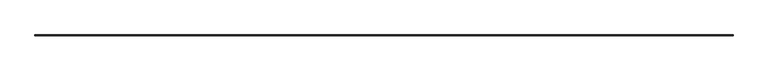
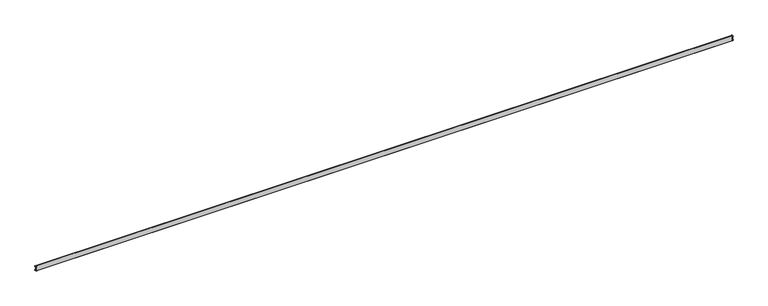
"""IFC4 building model written with IfcOpenShell, lengths in millimetres: railing geometry."""

from ifc_helpers import new_model, si_unit, frame, origin, place, context, project, spatial, polyline, circle_curve, ellipse_curve, source, transform, mapped, element, save
from ifc_brep_helpers import plane_surface, cylinder_surface, revolved_surface, advanced_brep


def railing_83002a9b(model_context):
    return source(origin(), model_context, "Body", "AdvancedBrep", [
        advanced_brep(
        [(25075.2601219, 85996.1703523, 570.7442809), (25079.5269506, 86000.437181, 570.7442809), (6781.4057932, 86000.437181, 570.7442809), (6785.6726219, 85996.1703523, 570.7442809), (25095.5621379, 86016.4723682, 603.0459483), (25096.2518366, 86017.162067, 603.4441461), (6764.6809072, 86017.162067, 603.4441461), (6765.370606, 86016.4723682, 603.0459483), (25097.0375754, 86017.9478058, 599.9286555), (6763.8951685, 86017.9478058, 599.9286555), (25079.5269506, 86000.437181, 711.2494691), (25097.6338633, 86018.5440937, 680.7051344), (6763.2988806, 86018.5440937, 680.7051344), (6781.4057932, 86000.437181, 711.2494691), (25097.7469688, 86018.6571992, 600.2852426), (25079.5269506, 86000.437181, 569.9505309), (6781.4057932, 86000.437181, 569.9505309), (6763.185775, 86018.6571992, 600.2852426), (25074.4663719, 85995.3766023, 569.9505309), (6786.4663719, 85995.3766023, 569.9505309), (25074.4663719, 85995.3766023, 711.2494691), (6786.4663719, 85995.3766023, 711.2494691), (25096.2406323, 86017.1508626, 677.7382015), (6764.6921116, 86017.1508626, 677.7382015), (25075.2601219, 85996.1703523, 710.4557191), (6785.6726219, 85996.1703523, 710.4557191), (25079.5269506, 86000.437181, 710.4557191), (6781.4057932, 86000.437181, 710.4557191), (25095.4923501, 86016.4025805, 678.1031631), (6765.4403938, 86016.4025805, 678.1031631), (25097.0375754, 86017.9478058, 681.2713445), (6763.8951685, 86017.9478058, 681.2713445), (25079.5269506, 85994.5828523, 710.4557191), (25097.0375754, 85994.5828523, 681.2713445), (25095.4923501, 85994.5828523, 678.1031631), (25096.2406323, 85994.5828523, 677.7382015), (25097.6338633, 85994.5828523, 680.7051344), (25079.5269506, 85994.5828523, 711.2494691), (25074.4663719, 85994.5828523, 711.2494691), (25074.4663719, 85994.5828523, 569.9505309), (25079.5269506, 85994.5828523, 569.9505309), (25097.7469688, 85994.5828523, 600.2852426), (25096.2518366, 85994.5828523, 603.4441461), (25095.5621379, 85994.5828523, 603.0459483), (25097.0375754, 85994.5828523, 599.9286555), (25079.5269506, 85994.5828523, 570.7442809), (25075.2601219, 85994.5828523, 570.7442809), (25075.2601219, 85994.5828523, 710.4557191), (6781.4057932, 85994.5828523, 710.4557191), (6785.6726219, 85994.5828523, 710.4557191), (6785.6726219, 85994.5828523, 570.7442809), (6781.4057932, 85994.5828523, 570.7442809), (6763.8951685, 85994.5828523, 599.9286555), (6765.370606, 85994.5828523, 603.0459483), (6764.6809072, 85994.5828523, 603.4441461), (6763.185775, 85994.5828523, 600.2852426), (6781.4057932, 85994.5828523, 569.9505309), (6786.4663719, 85994.5828523, 569.9505309), (6786.4663719, 85994.5828523, 711.2494691), (6781.4057932, 85994.5828523, 711.2494691), (6763.2988806, 85994.5828523, 680.7051344), (6764.6921116, 85994.5828523, 677.7382015), (6765.4403938, 85994.5828523, 678.1031631), (6763.8951685, 85994.5828523, 681.2713445)],
        [
            (0, 1),
            (1, 2),
            (2, 3),
            (3, 0),
            (4, 5),
            (5, 6),
            (6, 7),
            (7, 4),
            (8, 4),
            (7, 9),
            (9, 8),
            (10, 11, ellipse_curve(frame((25079.5269506, 86000.437181, 690.6103443), z_axis=(-0.7071067811865461, 0.7071067811865488, 0.0), x_axis=(0.7071067811865489, 0.707106781186546, 0.0)), 29.1881301, 20.6391247)),
            (11, 12),
            (12, 13, ellipse_curve(frame((6781.4057932, 86000.437181, 690.6103443), z_axis=(0.7071067811865488, 0.7071067811865461, 0.0), x_axis=(0.7071067811865462, -0.7071067811865487, 0.0)), 29.1881301, 20.6391247)),
            (13, 10),
            (14, 15, ellipse_curve(frame((25079.5269506, 86000.437181, 590.5896557), z_axis=(-0.7071067811865461, 0.7071067811865488, 0.0), x_axis=(0.7071067811865489, 0.707106781186546, 0.0)), 29.1881301, 20.6391247)),
            (15, 16),
            (16, 17, ellipse_curve(frame((6781.4057932, 86000.437181, 590.5896557), z_axis=(0.7071067811865488, 0.7071067811865461, 0.0), x_axis=(0.7071067811865462, -0.7071067811865487, 0.0)), 29.1881301, 20.6391247)),
            (17, 14),
            (5, 14),
            (17, 6),
            (15, 18),
            (18, 19),
            (19, 16),
            (20, 10),
            (13, 21),
            (21, 20),
            (11, 22),
            (22, 23),
            (23, 12),
            (24, 0),
            (3, 25),
            (25, 24),
            (1, 8, ellipse_curve(frame((25079.5269506, 86000.437181, 590.5896557), z_axis=(0.7071067811865461, -0.7071067811865488, 0.0), x_axis=(-0.7071067811865489, -0.707106781186546, 0.0)), 28.0655981, 19.8453747)),
            (9, 2, ellipse_curve(frame((6781.4057932, 86000.437181, 590.5896557), z_axis=(-0.7071067811865488, -0.7071067811865461, 0.0), x_axis=(-0.7071067811865462, 0.7071067811865487, 0.0)), 28.0655981, 19.8453747)),
            (26, 24),
            (25, 27),
            (27, 26),
            (18, 20),
            (21, 19),
            (22, 28),
            (28, 29),
            (29, 23),
            (28, 30),
            (30, 31),
            (31, 29),
            (30, 26, ellipse_curve(frame((25079.5269506, 86000.437181, 690.6103443), z_axis=(0.7071067811865461, -0.7071067811865488, 0.0), x_axis=(-0.7071067811865489, -0.707106781186546, 0.0)), 28.0655981, 19.8453747)),
            (27, 31, ellipse_curve(frame((6781.4057932, 86000.437181, 690.6103443), z_axis=(-0.7071067811865488, -0.7071067811865461, 0.0), x_axis=(-0.7071067811865462, 0.7071067811865487, 0.0)), 28.0655981, 19.8453747)),
            (32, 33, circle_curve(frame((25079.5269506, 85994.5828523, 690.6103443), z_axis=(0.0, 1.0, 0.0), x_axis=(0.8823529411769744, 0.0, -0.470588235293173)), 19.8453747)),
            (33, 34),
            (34, 35),
            (35, 36),
            (36, 37, circle_curve(frame((25079.5269506, 85994.5828523, 690.6103443), z_axis=(0.0, -1.0, 0.0), x_axis=(0.8823529411769744, 0.0, -0.470588235293173)), 20.6391247)),
            (37, 38),
            (38, 39),
            (39, 40),
            (40, 41, circle_curve(frame((25079.5269506, 85994.5828523, 590.5896557), z_axis=(0.0, -1.0, 0.0), x_axis=(0.8823529411769714, 0.0, 0.47058823529317884)), 20.6391247)),
            (41, 42),
            (42, 43),
            (43, 44),
            (44, 45, circle_curve(frame((25079.5269506, 85994.5828523, 590.5896557), z_axis=(0.0, 1.0, 0.0), x_axis=(0.8823529411769714, 0.0, 0.47058823529317884)), 19.8453747)),
            (45, 46),
            (46, 47),
            (47, 32),
            (32, 26),
            (30, 33),
            (28, 34),
            (22, 35),
            (11, 36),
            (10, 37),
            (20, 38),
            (18, 39),
            (15, 40),
            (14, 41),
            (5, 42),
            (4, 43),
            (8, 44),
            (1, 45),
            (0, 46),
            (24, 47),
            (48, 49),
            (49, 50),
            (50, 51),
            (51, 52, circle_curve(frame((6781.4057932, 85994.5828523, 590.5896557), z_axis=(0.0, 1.0, 0.0), x_axis=(-0.8823529411769714, 0.0, 0.47058823529317884)), 19.8453747)),
            (52, 53),
            (53, 54),
            (54, 55),
            (55, 56, circle_curve(frame((6781.4057932, 85994.5828523, 590.5896557), z_axis=(0.0, -1.0, 0.0), x_axis=(-0.8823529411769714, 0.0, 0.47058823529317884)), 20.6391247)),
            (56, 57),
            (57, 58),
            (58, 59),
            (59, 60, circle_curve(frame((6781.4057932, 85994.5828523, 690.6103443), z_axis=(0.0, -1.0, 0.0), x_axis=(-0.8823529411769744, 0.0, -0.470588235293173)), 20.6391247)),
            (60, 61),
            (61, 62),
            (62, 63),
            (63, 48, circle_curve(frame((6781.4057932, 85994.5828523, 690.6103443), z_axis=(0.0, 1.0, 0.0), x_axis=(-0.8823529411769744, 0.0, -0.470588235293173)), 19.8453747)),
            (27, 48),
            (63, 31),
            (62, 29),
            (61, 23),
            (60, 12),
            (59, 13),
            (58, 21),
            (57, 19),
            (56, 16),
            (55, 17),
            (54, 6),
            (53, 7),
            (52, 9),
            (51, 2),
            (50, 3),
            (49, 25),
        ],
        [
            plane_surface(frame((25079.5269506, 86000.437181, 570.7442809), z_axis=(0.0, 0.0, 1.0), x_axis=(-1.0, 0.0, 0.0))),
            plane_surface(frame((25096.2518366, 86017.162067, 603.4441461), z_axis=(0.0, -0.4999999999999967, 0.8660254037844406), x_axis=(-1.0, 0.0, 0.0))),
            plane_surface(frame((25095.5621379, 86016.4723682, 603.0459483), z_axis=(0.0, -0.9038695869673209, -0.42780809921683927), x_axis=(-1.0, 0.0, 0.0))),
            cylinder_surface(frame((25074.4663719, 86000.437181, 690.6103443), z_axis=(1.0, 0.0, 0.0), x_axis=(0.0, 0.8823529411769744, -0.470588235293173)), 20.6391247),
            cylinder_surface(frame((25074.4663719, 86000.437181, 590.5896557), z_axis=(1.0000000000000002, 0.0, 0.0), x_axis=(0.0, 0.8823529411769714, 0.47058823529317884)), 20.6391247),
            plane_surface(frame((25097.7469688, 86018.6571992, 600.2852426), z_axis=(0.0, 0.9038695869673207, 0.42780809921683965), x_axis=(-1.0, 0.0, 0.0))),
            plane_surface(frame((25074.4663719, 85995.3766023, 569.9505309), z_axis=(0.0, 0.0, -1.0), x_axis=(-1.0, 0.0, 0.0))),
            plane_surface(frame((25079.5269506, 86000.437181, 711.2494691), z_axis=(0.0, 0.0, 1.0), x_axis=(-1.0, 0.0, 0.0))),
            plane_surface(frame((25096.2406323, 86017.1508626, 677.7382015), z_axis=(0.0, 0.9051678095281966, -0.42505439251221294), x_axis=(-1.0, 0.0, 0.0))),
            plane_surface(frame((25075.2601219, 85996.1703523, 570.7442809), z_axis=(0.0, 1.0, 0.0), x_axis=(-1.0, 0.0, 0.0))),
            revolved_surface(polyline([(6761.560418465426, 86017.94780573531, 599.9286555588048), (25099.372325334567, 86017.94780573531, 599.9286555588048)]), (25074.4663719, 86000.437181, 590.5896557), (-1.0000000000000002, 0.0, 0.0)),
            plane_surface(frame((25075.2601219, 85996.1703523, 710.4557191), z_axis=(0.0, 0.0, -1.0), x_axis=(-1.0, 0.0, 0.0))),
            plane_surface(frame((25074.4663719, 85995.3766023, 711.2494691), z_axis=(0.0, -1.0, 0.0), x_axis=(-1.0, 0.0, 0.0))),
            plane_surface(frame((25095.4923501, 86016.4025805, 678.1031631), z_axis=(0.0, -0.43837114678907607, -0.8987940462991677), x_axis=(-1.0, 0.0, 0.0))),
            plane_surface(frame((25097.0375754, 86017.9478058, 681.2713445), z_axis=(0.0, -0.8987940462991681, 0.43837114678907513), x_axis=(-1.0, 0.0, 0.0))),
            revolved_surface(polyline([(6761.560418465433, 86017.94780573531, 681.2713444411952), (25099.372325334567, 86017.94780573531, 681.2713444411952)]), (25074.4663719, 86000.437181, 690.6103443), (-1.0, 0.0, 0.0)),
            plane_surface(frame((25074.4663719, 85994.5828523, 711.2), z_axis=(0.0, -1.0, 0.0), x_axis=(0.0, 0.0, 1.0))),
            revolved_surface(polyline([(25097.037575335304, 86020.28255573456, 681.2713444411952), (25097.037575335304, 85980.59180626544, 681.2713444411952)]), (25079.5269506, 85994.5828523, 690.6103443), (0.0, 1.0, 0.0)),
            plane_surface(frame((25097.0375754, 85994.5828523, 681.2713445), z_axis=(-0.8987940462991681, 0.0, 0.43837114678907513), x_axis=(0.0, 1.0, 0.0))),
            plane_surface(frame((25095.4923501, 85994.5828523, 678.1031631), z_axis=(-0.43837114678907607, 0.0, -0.8987940462991677), x_axis=(0.0, 1.0, 0.0))),
            plane_surface(frame((25096.2406323, 85994.5828523, 677.7382015), z_axis=(0.9051678095281966, 0.0, -0.42505439251221294), x_axis=(0.0, 1.0, 0.0))),
            cylinder_surface(frame((25079.5269506, 85994.5828523, 690.6103443), z_axis=(0.0, -1.0, 0.0), x_axis=(0.8823529411769744, 0.0, -0.470588235293173)), 20.6391247),
            plane_surface(frame((25079.5269506, 85994.5828523, 711.2494691), z_axis=(0.0, 0.0, 1.0), x_axis=(0.0, 1.0, 0.0))),
            plane_surface(frame((25074.4663719, 85994.5828523, 711.2494691), z_axis=(-1.0, 0.0, 0.0), x_axis=(0.0, 1.0, 0.0))),
            plane_surface(frame((25074.4663719, 85994.5828523, 569.9505309), z_axis=(0.0, 0.0, -1.0), x_axis=(0.0, 1.0, 0.0))),
            cylinder_surface(frame((25079.5269506, 85994.5828523, 590.5896557), z_axis=(0.0, -1.0000000000000002, 0.0), x_axis=(0.8823529411769714, 0.0, 0.47058823529317884)), 20.6391247),
            plane_surface(frame((25097.7469688, 85994.5828523, 600.2852426), z_axis=(0.9038695869673207, 0.0, 0.42780809921683965), x_axis=(0.0, 1.0, 0.0))),
            plane_surface(frame((25096.2518366, 85994.5828523, 603.4441461), z_axis=(-0.4999999999999967, 0.0, 0.8660254037844406), x_axis=(0.0, 1.0, 0.0))),
            plane_surface(frame((25095.5621379, 85994.5828523, 603.0459483), z_axis=(-0.9038695869673209, 0.0, -0.42780809921683927), x_axis=(0.0, 1.0, 0.0))),
            revolved_surface(polyline([(25097.037575335304, 86020.28255573456, 599.9286555588048), (25097.037575335304, 85980.59180626544, 599.9286555588048)]), (25079.5269506, 85994.5828523, 590.5896557), (0.0, 1.0000000000000002, 0.0)),
            plane_surface(frame((25079.5269506, 85994.5828523, 570.7442809), z_axis=(0.0, 0.0, 1.0), x_axis=(0.0, 1.0, 0.0))),
            plane_surface(frame((25075.2601219, 85994.5828523, 570.7442809), z_axis=(1.0, -2.7284841052989324e-12, 0.0), x_axis=(2.7284841052989324e-12, 1.0, 0.0))),
            plane_surface(frame((25075.2601219, 85994.5828523, 710.4557191), z_axis=(0.0, 0.0, -1.0), x_axis=(2.7284841052989324e-12, 1.0, 0.0))),
            plane_surface(frame((6786.4663719, 85994.5828523, 711.2), z_axis=(0.0, -1.0, 0.0), x_axis=(0.0, 0.0, -1.0))),
            revolved_surface(polyline([(6763.895168464695, 85980.59180626544, 681.2713444411952), (6763.895168464695, 86020.28255573456, 681.2713444411952)]), (6781.4057932, 85995.3766023, 690.6103443), (0.0, -1.0, 0.0)),
            plane_surface(frame((6763.8951685, 86017.9478058, 681.2713445), z_axis=(0.8987940462991681, 0.0, 0.43837114678907513), x_axis=(0.0, -1.0, 0.0))),
            plane_surface(frame((6765.4403938, 86016.4025805, 678.1031631), z_axis=(0.43837114678907607, 0.0, -0.8987940462991677), x_axis=(0.0, -1.0, 0.0))),
            plane_surface(frame((6764.6921116, 86017.1508626, 677.7382015), z_axis=(-0.9051678095281966, 0.0, -0.42505439251221294), x_axis=(0.0, -1.0, 0.0))),
            cylinder_surface(frame((6781.4057932, 85995.3766023, 690.6103443), z_axis=(0.0, 1.0, 0.0), x_axis=(-0.8823529411769744, 0.0, -0.470588235293173)), 20.6391247),
            plane_surface(frame((6781.4057932, 86000.437181, 711.2494691), z_axis=(0.0, 0.0, 1.0), x_axis=(0.0, -1.0, 0.0))),
            plane_surface(frame((6786.4663719, 85995.3766023, 711.2494691), z_axis=(1.0, 2.7284841052989324e-12, 0.0), x_axis=(2.7284841052989324e-12, -1.0, 0.0))),
            plane_surface(frame((6786.4663719, 85995.3766023, 569.9505309), z_axis=(0.0, 0.0, -1.0), x_axis=(4.0927261579483986e-12, -1.0, 0.0))),
            cylinder_surface(frame((6781.4057932, 85995.3766023, 590.5896557), z_axis=(0.0, 1.0000000000000002, 0.0), x_axis=(-0.8823529411769714, 0.0, 0.47058823529317884)), 20.6391247),
            plane_surface(frame((6763.185775, 86018.6571992, 600.2852426), z_axis=(-0.9038695869673207, 0.0, 0.42780809921683965), x_axis=(0.0, -1.0, 0.0))),
            plane_surface(frame((6764.6809072, 86017.162067, 603.4441461), z_axis=(0.4999999999999967, 0.0, 0.8660254037844406), x_axis=(0.0, -1.0, 0.0))),
            plane_surface(frame((6765.370606, 86016.4723682, 603.0459483), z_axis=(0.9038695869673209, 0.0, -0.42780809921683927), x_axis=(0.0, -1.0, 0.0))),
            revolved_surface(polyline([(6763.895168464695, 85980.59180626544, 599.9286555588048), (6763.895168464695, 86020.28255573456, 599.9286555588048)]), (6781.4057932, 85995.3766023, 590.5896557), (0.0, -1.0000000000000002, 0.0)),
            plane_surface(frame((6781.4057932, 86000.437181, 570.7442809), z_axis=(0.0, 0.0, 1.0), x_axis=(0.0, -1.0, 0.0))),
            plane_surface(frame((6785.6726219, 85996.1703523, 570.7442809), z_axis=(-1.0, -1.3642420526643554e-12, 0.0), x_axis=(1.3642420526643554e-12, -1.0, 0.0))),
            plane_surface(frame((6785.6726219, 85996.1703523, 710.4557191), z_axis=(0.0, 0.0, -1.0), x_axis=(-2.046363078996533e-12, -1.0, 0.0))),
        ],
        [
            (0, [[1, 2, 3, 4]]),
            (1, [[5, 6, 7, 8]]),
            (2, [[9, -8, 10, 11]]),
            (3, [[12, 13, 14, 15]]),
            (4, [[16, 17, 18, 19]]),
            (5, [[20, -19, 21, -6]]),
            (6, [[22, 23, 24, -17]]),
            (7, [[25, -15, 26, 27]]),
            (8, [[28, 29, 30, -13]]),
            (9, [[31, -4, 32, 33]]),
            (10, [[34, -11, 35, -2]]),
            (11, [[36, -33, 37, 38]]),
            (12, [[39, -27, 40, -23]]),
            (13, [[41, 42, 43, -29]]),
            (14, [[44, 45, 46, -42]]),
            (15, [[47, -38, 48, -45]]),
            (16, [[49, 50, 51, 52, 53, 54, 55, 56, 57, 58, 59, 60, 61, 62, 63, 64]]),
            (17, [[-49, 65, -47, 66]]),
            (18, [[-50, -66, -44, 67]]),
            (19, [[-51, -67, -41, 68]]),
            (20, [[-52, -68, -28, 69]]),
            (21, [[-53, -69, -12, 70]]),
            (22, [[-54, -70, -25, 71]]),
            (23, [[-55, -71, -39, 72]]),
            (24, [[-56, -72, -22, 73]]),
            (25, [[-57, -73, -16, 74]]),
            (26, [[-58, -74, -20, 75]]),
            (27, [[-59, -75, -5, 76]]),
            (28, [[-60, -76, -9, 77]]),
            (29, [[-61, -77, -34, 78]]),
            (30, [[-62, -78, -1, 79]]),
            (31, [[-63, -79, -31, 80]]),
            (32, [[-64, -80, -36, -65]]),
            (33, [[81, 82, 83, 84, 85, 86, 87, 88, 89, 90, 91, 92, 93, 94, 95, 96]]),
            (34, [[-48, 97, -96, 98]]),
            (35, [[-46, -98, -95, 99]]),
            (36, [[-43, -99, -94, 100]]),
            (37, [[-30, -100, -93, 101]]),
            (38, [[-14, -101, -92, 102]]),
            (39, [[-26, -102, -91, 103]]),
            (40, [[-40, -103, -90, 104]]),
            (41, [[-24, -104, -89, 105]]),
            (42, [[-18, -105, -88, 106]]),
            (43, [[-21, -106, -87, 107]]),
            (44, [[-7, -107, -86, 108]]),
            (45, [[-10, -108, -85, 109]]),
            (46, [[-35, -109, -84, 110]]),
            (47, [[-3, -110, -83, 111]]),
            (48, [[-32, -111, -82, 112]]),
            (49, [[-37, -112, -81, -97]]),
        ],
    ),
        advanced_brep(
        [(25096.2406323, 86017.1508626, 677.7382015), (25096.2495455, 86017.1597759, 603.4428233), (6764.6831983, 86017.1597759, 603.4428233), (6764.6921116, 86017.1508626, 677.7382015), (25095.5621379, 86016.4723682, 603.0459483), (6765.370606, 86016.4723682, 603.0459483), (25097.0375754, 86017.9478058, 599.9286555), (6763.8951685, 86017.9478058, 599.9286555), (25079.5269506, 86000.437181, 570.7442809), (6781.4057932, 86000.437181, 570.7442809), (25074.4663719, 85995.3766023, 570.7442809), (6786.4663719, 85995.3766023, 570.7442809), (25074.4663719, 85995.3766023, 710.4557191), (6786.4663719, 85995.3766023, 710.4557191), (25079.5269506, 86000.437181, 710.4557191), (6781.4057932, 86000.437181, 710.4557191), (25097.0375754, 86017.9478058, 681.2713445), (6763.8951685, 86017.9478058, 681.2713445), (25095.4923501, 86016.4025805, 678.1031631), (6765.4403938, 86016.4025805, 678.1031631), (25096.2406323, 85994.5828523, 677.7382015), (25095.4923501, 85994.5828523, 678.1031631), (25097.0375754, 85994.5828523, 681.2713445), (25079.5269506, 85994.5828523, 710.4557191), (25074.4663719, 85994.5828523, 710.4557191), (25074.4663719, 85994.5828523, 570.7442809), (25079.5269506, 85994.5828523, 570.7442809), (25097.0375754, 85994.5828523, 599.9286555), (25095.5621379, 85994.5828523, 603.0459483), (25096.2495455, 85994.5828523, 603.4428233), (6764.6921116, 85994.5828523, 677.7382015), (6764.6831983, 85994.5828523, 603.4428233), (6765.370606, 85994.5828523, 603.0459483), (6763.8951685, 85994.5828523, 599.9286555), (6781.4057932, 85994.5828523, 570.7442809), (6786.4663719, 85994.5828523, 570.7442809), (6786.4663719, 85994.5828523, 710.4557191), (6781.4057932, 85994.5828523, 710.4557191), (6763.8951685, 85994.5828523, 681.2713445), (6765.4403938, 85994.5828523, 678.1031631)],
        [
            (0, 1, ellipse_curve(frame((25175.3276976, 86096.237928, 640.6), z_axis=(0.7071067811865461, -0.7071067811865488, 0.0), x_axis=(-0.7071067811865489, -0.707106781186546, 0.0)), 123.563829, 87.3728214)),
            (1, 2),
            (2, 3, ellipse_curve(frame((6685.6050462, 86096.237928, 640.6), z_axis=(-0.7071067811865488, -0.7071067811865461, 0.0), x_axis=(-0.7071067811865462, 0.7071067811865487, 0.0)), 123.563829, 87.3728214)),
            (3, 0),
            (1, 4),
            (4, 5),
            (5, 2),
            (4, 6),
            (6, 7),
            (7, 5),
            (6, 8, ellipse_curve(frame((25079.5269506, 86000.437181, 590.5896557), z_axis=(-0.7071067811865461, 0.7071067811865488, 0.0), x_axis=(0.7071067811865489, 0.707106781186546, 0.0)), 28.0655981, 19.8453747)),
            (8, 9),
            (9, 7, ellipse_curve(frame((6781.4057932, 86000.437181, 590.5896557), z_axis=(0.7071067811865488, 0.7071067811865461, 0.0), x_axis=(0.7071067811865462, -0.7071067811865487, 0.0)), 28.0655981, 19.8453747)),
            (8, 10),
            (10, 11),
            (11, 9),
            (10, 12),
            (12, 13),
            (13, 11),
            (12, 14),
            (14, 15),
            (15, 13),
            (14, 16, ellipse_curve(frame((25079.5269506, 86000.437181, 690.6103443), z_axis=(-0.7071067811865461, 0.7071067811865488, 0.0), x_axis=(0.7071067811865489, 0.707106781186546, 0.0)), 28.0655981, 19.8453747)),
            (16, 17),
            (17, 15, ellipse_curve(frame((6781.4057932, 86000.437181, 690.6103443), z_axis=(0.7071067811865488, 0.7071067811865461, 0.0), x_axis=(0.7071067811865462, -0.7071067811865487, 0.0)), 28.0655981, 19.8453747)),
            (16, 18),
            (18, 19),
            (19, 17),
            (18, 0),
            (3, 19),
            (20, 21),
            (21, 22),
            (22, 23, circle_curve(frame((25079.5269506, 85994.5828523, 690.6103443), z_axis=(0.0, -1.0, 0.0), x_axis=(0.8823529411769744, 0.0, -0.470588235293173)), 19.8453747)),
            (23, 24),
            (24, 25),
            (25, 26),
            (26, 27, circle_curve(frame((25079.5269506, 85994.5828523, 590.5896557), z_axis=(0.0, -1.0, 0.0), x_axis=(0.8823529411769714, 0.0, 0.47058823529317884)), 19.8453747)),
            (27, 28),
            (28, 29),
            (29, 20, circle_curve(frame((25175.3276976, 85994.5828523, 640.6), z_axis=(0.0, 1.0, 0.0), x_axis=(-0.912703213107187, 0.0, -0.4086231084799496)), 87.3728214)),
            (20, 0),
            (18, 21),
            (16, 22),
            (14, 23),
            (12, 24),
            (10, 25),
            (8, 26),
            (6, 27),
            (4, 28),
            (1, 29),
            (30, 31, circle_curve(frame((6685.6050462, 85994.5828523, 640.6), z_axis=(0.0, 1.0, 0.0), x_axis=(0.912703213107187, 0.0, -0.4086231084799496)), 87.3728214)),
            (31, 32),
            (32, 33),
            (33, 34, circle_curve(frame((6781.4057932, 85994.5828523, 590.5896557), z_axis=(0.0, -1.0, 0.0), x_axis=(-0.8823529411769714, 0.0, 0.47058823529317884)), 19.8453747)),
            (34, 35),
            (35, 36),
            (36, 37),
            (37, 38, circle_curve(frame((6781.4057932, 85994.5828523, 690.6103443), z_axis=(0.0, -1.0, 0.0), x_axis=(-0.8823529411769744, 0.0, -0.470588235293173)), 19.8453747)),
            (38, 39),
            (39, 30),
            (3, 30),
            (39, 19),
            (38, 17),
            (37, 15),
            (36, 13),
            (35, 11),
            (34, 9),
            (33, 7),
            (32, 5),
            (31, 2),
        ],
        [
            revolved_surface(polyline([(6598.232224804728, 86016.49247316999, 604.8974461228686), (25262.700518995276, 86016.49247316999, 604.8974461228686)]), (25074.4663719, 86096.237928, 640.6), (-1.0, 0.0, 0.0)),
            plane_surface(frame((25095.5621379, 86016.4723682, 603.0459483), z_axis=(0.0, 0.4999999999999967, -0.8660254037844406), x_axis=(-1.0, 0.0, 0.0))),
            plane_surface(frame((25097.0375754, 86017.9478058, 599.9286555), z_axis=(0.0, 0.9038695869673209, 0.42780809921683927), x_axis=(-1.0, 0.0, 0.0))),
            cylinder_surface(frame((25074.4663719, 86000.437181, 590.5896557), z_axis=(1.0000000000000002, 0.0, 0.0), x_axis=(0.0, 0.8823529411769714, 0.47058823529317884)), 19.8453747),
            plane_surface(frame((25074.4663719, 85995.3766023, 570.7442809), z_axis=(0.0, 0.0, -1.0), x_axis=(-1.0, 0.0, 0.0))),
            plane_surface(frame((25074.4663719, 85995.3766023, 710.4557191), z_axis=(0.0, -1.0, 0.0), x_axis=(-1.0, 0.0, 0.0))),
            plane_surface(frame((25079.5269506, 86000.437181, 710.4557191), z_axis=(0.0, 0.0, 1.0), x_axis=(-1.0, 0.0, 0.0))),
            cylinder_surface(frame((25074.4663719, 86000.437181, 690.6103443), z_axis=(1.0, 0.0, 0.0), x_axis=(0.0, 0.8823529411769744, -0.470588235293173)), 19.8453747),
            plane_surface(frame((25095.4923501, 86016.4025805, 678.1031631), z_axis=(0.0, 0.8987940462991681, -0.43837114678907513), x_axis=(-1.0, 0.0, 0.0))),
            plane_surface(frame((25096.2406323, 86017.1508626, 677.7382015), z_axis=(0.0, 0.43837114678907607, 0.8987940462991677), x_axis=(-1.0, 0.0, 0.0))),
            plane_surface(frame((25074.4663719, 85994.5828523, 711.2), z_axis=(0.0, -1.0, 0.0), x_axis=(0.0, 0.0, 1.0))),
            plane_surface(frame((25096.2406323, 85994.5828523, 677.7382015), z_axis=(0.43837114678907607, 0.0, 0.8987940462991677), x_axis=(0.0, 1.0, 0.0))),
            plane_surface(frame((25095.4923501, 85994.5828523, 678.1031631), z_axis=(0.8987940462991681, 0.0, -0.43837114678907513), x_axis=(0.0, 1.0, 0.0))),
            cylinder_surface(frame((25079.5269506, 85994.5828523, 690.6103443), z_axis=(0.0, -1.0, 0.0), x_axis=(0.8823529411769744, 0.0, -0.470588235293173)), 19.8453747),
            plane_surface(frame((25079.5269506, 85994.5828523, 710.4557191), z_axis=(0.0, 0.0, 1.0), x_axis=(0.0, 1.0, 0.0))),
            plane_surface(frame((25074.4663719, 85994.5828523, 710.4557191), z_axis=(-1.0, 0.0, 0.0), x_axis=(0.0, 1.0, 0.0))),
            plane_surface(frame((25074.4663719, 85994.5828523, 570.7442809), z_axis=(0.0, 0.0, -1.0), x_axis=(0.0, 1.0, 0.0))),
            cylinder_surface(frame((25079.5269506, 85994.5828523, 590.5896557), z_axis=(0.0, -1.0000000000000002, 0.0), x_axis=(0.8823529411769714, 0.0, 0.47058823529317884)), 19.8453747),
            plane_surface(frame((25097.0375754, 85994.5828523, 599.9286555), z_axis=(0.9038695869673209, 0.0, 0.42780809921683927), x_axis=(0.0, 1.0, 0.0))),
            plane_surface(frame((25095.5621379, 85994.5828523, 603.0459483), z_axis=(0.4999999999999967, 0.0, -0.8660254037844406), x_axis=(0.0, 1.0, 0.0))),
            revolved_surface(polyline([(25095.582242769982, 86183.61074939527, 604.8974461228686), (25095.582242769982, 85994.5828523, 604.8974461228686)]), (25175.3276976, 85994.5828523, 640.6), (0.0, 1.0, 0.0)),
            plane_surface(frame((6786.4663719, 85994.5828523, 711.2), z_axis=(0.0, -1.0, 0.0), x_axis=(0.0, 0.0, -1.0))),
            plane_surface(frame((6764.6921116, 86017.1508626, 677.7382015), z_axis=(-0.43837114678907607, 0.0, 0.8987940462991677), x_axis=(0.0, -1.0, 0.0))),
            plane_surface(frame((6765.4403938, 86016.4025805, 678.1031631), z_axis=(-0.8987940462991681, 0.0, -0.43837114678907513), x_axis=(0.0, -1.0, 0.0))),
            cylinder_surface(frame((6781.4057932, 85995.3766023, 690.6103443), z_axis=(0.0, 1.0, 0.0), x_axis=(-0.8823529411769744, 0.0, -0.470588235293173)), 19.8453747),
            plane_surface(frame((6781.4057932, 86000.437181, 710.4557191), z_axis=(0.0, 0.0, 1.0), x_axis=(0.0, -1.0, 0.0))),
            plane_surface(frame((6786.4663719, 85995.3766023, 710.4557191), z_axis=(1.0, 2.7284841052989324e-12, 0.0), x_axis=(2.7284841052989324e-12, -1.0, 0.0))),
            plane_surface(frame((6786.4663719, 85995.3766023, 570.7442809), z_axis=(0.0, 0.0, -1.0), x_axis=(4.0927261579483986e-12, -1.0, 0.0))),
            cylinder_surface(frame((6781.4057932, 85995.3766023, 590.5896557), z_axis=(0.0, 1.0000000000000002, 0.0), x_axis=(-0.8823529411769714, 0.0, 0.47058823529317884)), 19.8453747),
            plane_surface(frame((6763.8951685, 86017.9478058, 599.9286555), z_axis=(-0.9038695869673209, 0.0, 0.42780809921683927), x_axis=(0.0, -1.0, 0.0))),
            plane_surface(frame((6765.370606, 86016.4723682, 603.0459483), z_axis=(-0.4999999999999967, 0.0, -0.8660254037844406), x_axis=(0.0, -1.0, 0.0))),
            revolved_surface(polyline([(6765.3505010300205, 85994.5828523, 604.8974461228686), (6765.3505010300205, 86183.61074939527, 604.8974461228686)]), (6685.6050462, 85995.3766023, 640.6), (0.0, -1.0, 0.0)),
        ],
        [
            (0, [[1, 2, 3, 4]]),
            (1, [[5, 6, 7, -2]]),
            (2, [[8, 9, 10, -6]]),
            (3, [[11, 12, 13, -9]]),
            (4, [[14, 15, 16, -12]]),
            (5, [[17, 18, 19, -15]]),
            (6, [[20, 21, 22, -18]]),
            (7, [[23, 24, 25, -21]]),
            (8, [[26, 27, 28, -24]]),
            (9, [[29, -4, 30, -27]]),
            (10, [[31, 32, 33, 34, 35, 36, 37, 38, 39, 40]]),
            (11, [[-31, 41, -29, 42]]),
            (12, [[-32, -42, -26, 43]]),
            (13, [[-33, -43, -23, 44]]),
            (14, [[-34, -44, -20, 45]]),
            (15, [[-35, -45, -17, 46]]),
            (16, [[-36, -46, -14, 47]]),
            (17, [[-37, -47, -11, 48]]),
            (18, [[-38, -48, -8, 49]]),
            (19, [[-39, -49, -5, 50]]),
            (20, [[-40, -50, -1, -41]]),
            (21, [[51, 52, 53, 54, 55, 56, 57, 58, 59, 60]]),
            (22, [[-30, 61, -60, 62]]),
            (23, [[-28, -62, -59, 63]]),
            (24, [[-25, -63, -58, 64]]),
            (25, [[-22, -64, -57, 65]]),
            (26, [[-19, -65, -56, 66]]),
            (27, [[-16, -66, -55, 67]]),
            (28, [[-13, -67, -54, 68]]),
            (29, [[-10, -68, -53, 69]]),
            (30, [[-7, -69, -52, 70]]),
            (31, [[-3, -70, -51, -61]]),
        ],
    ),
    ])


if __name__ == "__main__":
    model = new_model("IFC4")
    model_context = context("Model", 3, world=origin())
    ifc_project = project(units=[si_unit("LENGTHUNIT", "METRE", prefix="MILLI")], contexts=[model_context])
    site = spatial("IfcSite", under=ifc_project)
    building = spatial("IfcBuilding", under=site)
    placement = place(None, origin())
    railing_shape = railing_83002a9b(model_context)
    element("IfcRailing", 1, at=placement, inside=building, context=model_context, shape_type="MappedRepresentation", body=[
        mapped(railing_shape, transform((0.0, 0.0, 0.0), x_axis=(1.0, 0.0, 0.0), y_axis=(0.0, 1.0, 0.0), z_axis=(0.0, 0.0, 1.0))),
    ])
    save(model, "model.ifc")
